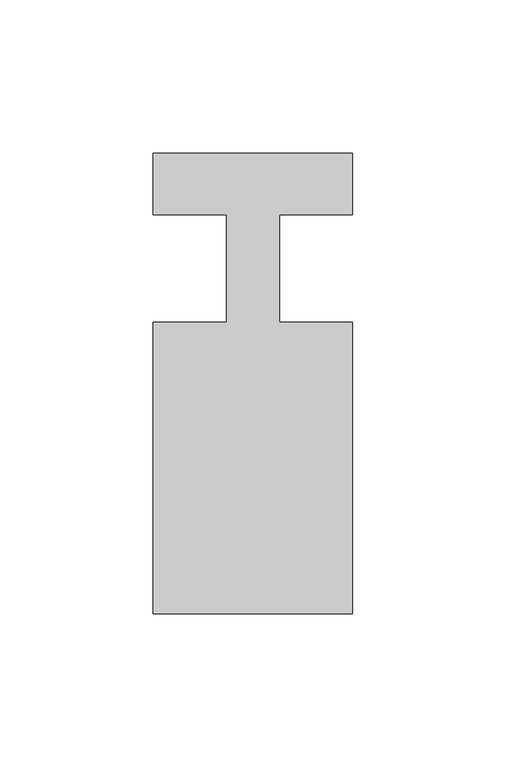
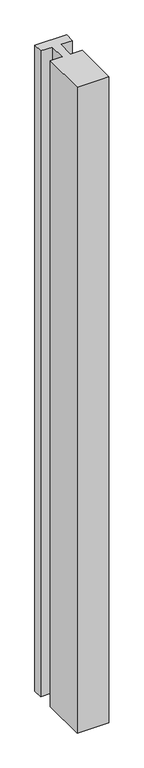
"""IFC4 building model written with IfcOpenShell, lengths in millimetres: member geometry."""

from ifc_helpers import new_model, si_unit, frame, origin, place, context, project, spatial, polyline, outline, extrude, source, transform, mapped, element, save


def member_587d41b3(model_context):
    return source(origin(), model_context, "Body", "SweptSolid", [
        extrude(outline(polyline([(-65.0, 37.0), (0.0, 37.0), (0.0, 17.0), (-23.8125, 17.0), (-23.8125, -18.0), (0.0, -18.0), (0.0, -113.0), (-65.0, -113.0), (-65.0, -18.0), (-41.1875, -18.0), (-41.1875, 17.0), (-65.0, 17.0), (-65.0, 37.0)])), frame((0.0, 0.0, -1400.0), z_axis=(0.0, 0.0, 1.0), x_axis=(1.0, 0.0, 0.0)), (0.0, 0.0, 1.0), 1400.0),
    ])


if __name__ == "__main__":
    model = new_model("IFC4")
    model_context = context("Model", 3, world=origin())
    ifc_project = project(units=[si_unit("LENGTHUNIT", "METRE", prefix="MILLI")], contexts=[model_context])
    site = spatial("IfcSite", under=ifc_project)
    building = spatial("IfcBuilding", under=site)
    placement = place(None, origin())
    member_shape = member_587d41b3(model_context)
    element("IfcMember", 1, at=placement, inside=building, context=model_context, shape_type="MappedRepresentation", body=[
        mapped(member_shape, transform((0.0, 0.0, 0.0), x_axis=(1.0, 0.0, 0.0), y_axis=(0.0, 1.0, 0.0), z_axis=(0.0, 0.0, 1.0))),
    ])
    save(model, "model.ifc")
